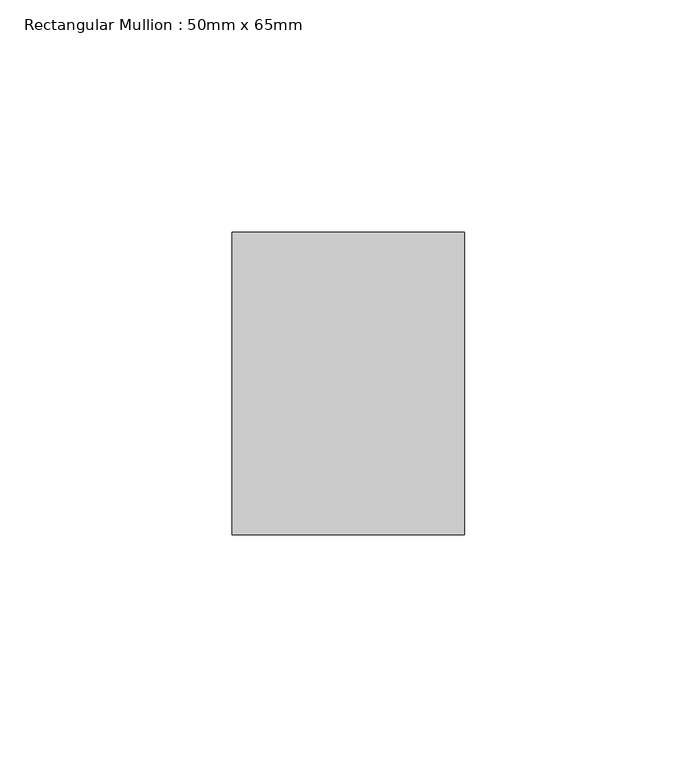
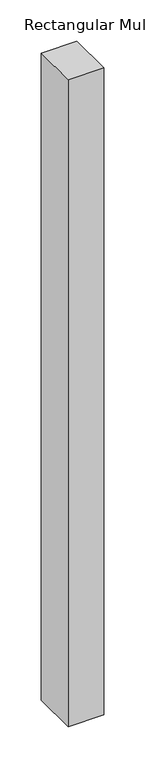
"""IFC4 building model written with IfcOpenShell, lengths in millimetres: member geometry, Rectangular Mullion : 50mm x 65mm."""

from ifc_helpers import new_model, si_unit, frame, origin, place, context, project, spatial, polyline, outline, extrude, source, transform, mapped, element, save


def rectangular_mullion_50mm_x_65mm_778ccab8(model_context):
    return source(origin(), model_context, "Body", "SweptSolid", [
        extrude(outline(polyline([(25.0, 32.5), (25.0, -32.5), (-25.0, -32.5), (-25.0, 32.5), (25.0, 32.5)])), frame((0.0, 0.0, -957.7640307), z_axis=(0.0, 0.0, 1.0), x_axis=(1.0, 0.0, 0.0)), (0.0, 0.0, 1.0), 957.7640307),
    ])


if __name__ == "__main__":
    model = new_model("IFC4")
    model_context = context("Model", 3, world=origin())
    ifc_project = project(units=[si_unit("LENGTHUNIT", "METRE", prefix="MILLI")], contexts=[model_context])
    site = spatial("IfcSite", under=ifc_project)
    building = spatial("IfcBuilding", under=site)
    placement = place(None, origin())
    rectangular_mullion_50mm_x_65mm_shape = rectangular_mullion_50mm_x_65mm_778ccab8(model_context)
    element("IfcMember", 1, ObjectType="Rectangular Mullion : 50mm x 65mm", at=placement, inside=building, context=model_context, shape_type="MappedRepresentation", body=[
        mapped(rectangular_mullion_50mm_x_65mm_shape, transform((0.0, 0.0, 0.0), x_axis=(1.0, 0.0, 0.0), y_axis=(0.0, 1.0, 0.0), z_axis=(0.0, 0.0, 1.0))),
    ])
    save(model, "model.ifc")
